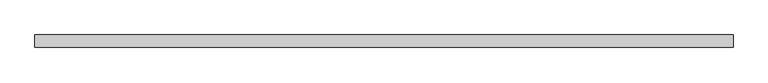
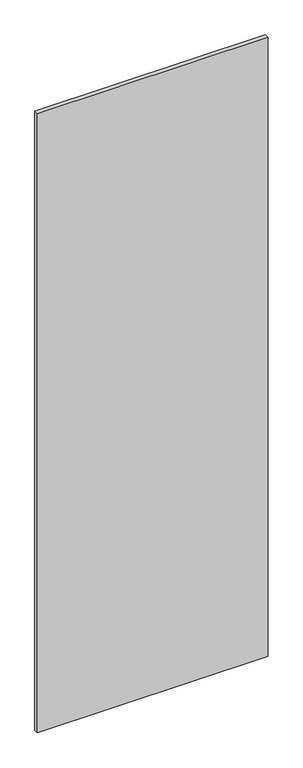
"""IFC4 building model written with IfcOpenShell, lengths in millimetres: proxy geometry."""

from ifc_helpers import new_model, si_unit, frame, origin, place, context, project, spatial, polyline, outline, extrude, source, transform, mapped, element, save


def specialty_equipment_4c4bce72(model_context):
    return source(origin(), model_context, "Body", "SweptSolid", [
        extrude(outline(polyline([(531.5204, -9.525), (-531.5204, -9.525), (-531.5204, 9.525), (531.5204, 9.525), (531.5204, -9.525)])), frame((0.0, 0.0, 3.175), z_axis=(0.0, 0.0, 1.0), x_axis=(1.0, 0.0, 0.0)), (0.0, 0.0, 1.0), 3013.075),
    ])


if __name__ == "__main__":
    model = new_model("IFC4")
    model_context = context("Model", 3, world=origin())
    ifc_project = project(units=[si_unit("LENGTHUNIT", "METRE", prefix="MILLI")], contexts=[model_context])
    site = spatial("IfcSite", under=ifc_project)
    building = spatial("IfcBuilding", under=site)
    placement = place(None, origin())
    specialty_equipment_shape = specialty_equipment_4c4bce72(model_context)
    element("IfcBuildingElementProxy", 1, Name="Specialty Equipment", at=placement, inside=building, context=model_context, shape_type="MappedRepresentation", body=[
        mapped(specialty_equipment_shape, transform((0.0, 0.0, 0.0), x_axis=(1.0, 0.0, 0.0), y_axis=(0.0, 1.0, 0.0), z_axis=(0.0, 0.0, 1.0))),
    ])
    save(model, "model.ifc")
